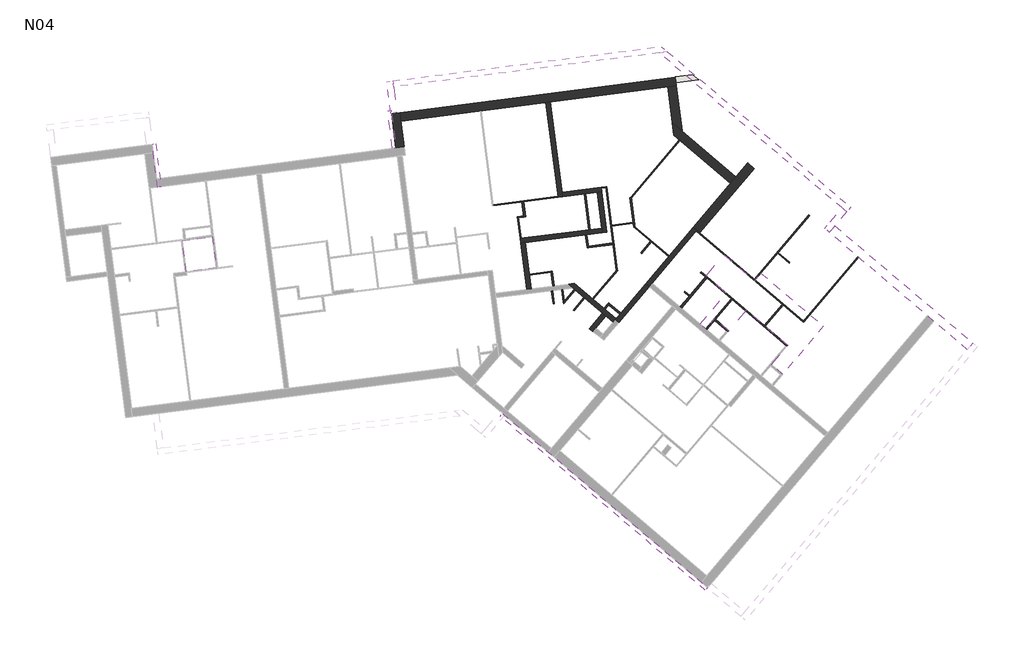
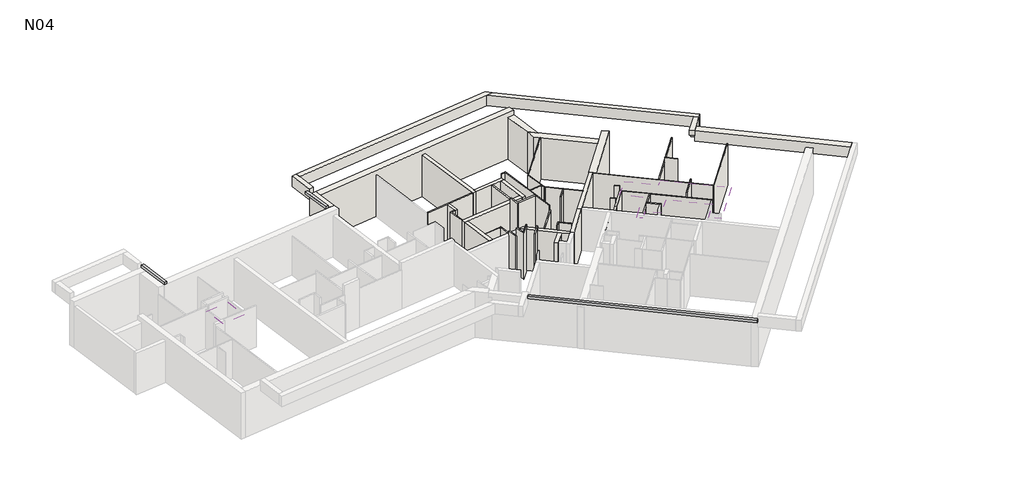
# One storey, part 3 of 3: 56 walls, 3 proxies, 2 coverings.
"""IFC4 building model written with IfcOpenShell, lengths in millimetres."""

from ifc_helpers import new_model, si_unit, frame, origin, place, context, project, spatial, polyline, outline, extrude, faceted_brep, element, save

model = new_model("IFC4")

# Units and contexts
model_context = context("Model", 3, world=origin())
ifc_project = project(units=[si_unit("LENGTHUNIT", "METRE", prefix="MILLI")], contexts=[model_context])

# Site, building, storey
site = spatial("IfcSite", under=ifc_project)
building = spatial("IfcBuilding", under=site)
storey = spatial("IfcBuildingStorey", under=building, Name="N04", Elevation=11380.0)

# Proxies
placement = place(None, origin())
element("IfcBuildingElementProxy", 1, Name="Wall Sweeps", at=placement, inside=storey, context=model_context, shape_type="Brep", body=[
    faceted_brep([(3471.6188833, 23711.7700815, 14140.0), (3471.6188833, 23711.7700815, 14292.4), (3320.4485677, 23692.4492205, 14292.4), (3320.4485677, 23692.4492205, 14140.0), (3263.7041068, 25338.5372577, 14140.0), (3243.8654827, 25336.0017117, 14140.0), (3112.5337911, 25319.2163968, 14140.0), (3112.5337911, 25319.2163968, 14292.4), (3243.8654827, 25336.0017117, 14292.4), (3263.7041068, 25338.5372577, 14292.4), (3278.9173831, 25219.5055131, 14140.0), (3278.9173831, 25219.5055131, 14292.4)], [[[0, 1, 2, 3]], [[4, 5, 6, 7, 8, 9]], [[3, 2, 7, 6]], [[1, 0, 10, 4, 9, 11]], [[2, 1, 11, 9, 8, 7]], [[0, 3, 6, 5, 4, 10]]]),
])
element("IfcBuildingElementProxy", 2, Name="Wall Sweeps", at=placement, inside=storey, context=model_context, shape_type="Brep", body=[
    faceted_brep([(16867.2686625, 4566.816918, 14292.4), (16867.2686625, 4566.816918, 14140.0), (16952.940746, 4667.7627158, 14140.0), (16965.8821484, 4683.0113258, 14140.0), (16965.8821484, 4683.0113258, 14292.4), (16952.940746, 4667.7627158, 14292.4), (7989.9035141, 12100.9826277, 14140.0), (7989.9035141, 12100.9826277, 14292.4), (8088.517, 12217.1770355, 14292.4), (8088.517, 12217.1770355, 14140.0)], [[[0, 1, 2, 3, 4, 5]], [[6, 7, 8, 9]], [[1, 0, 7, 6]], [[4, 3, 9, 8]], [[8, 7, 0, 5, 4]], [[6, 9, 3, 2, 1]]]),
])
element("IfcBuildingElementProxy", 3, Name="Wall Sweeps", at=placement, inside=storey, context=model_context, shape_type="SweptSolid", body=[
    extrude(outline(polyline([(-7079.2685073, 23875.4779617), (-6928.0981917, 23894.7988226), (-6691.0246355, 22039.8874692), (-6842.1949512, 22020.5666083), (-7079.2685073, 23875.4779617)])), frame((0.0, 0.0, 14140.0), z_axis=(0.0, 0.0, 1.0), x_axis=(1.0, 0.0, 0.0)), (0.0, 0.0, 1.0), 152.4),
])

# Coverings
element("IfcCovering", 4, at=placement, inside=storey, context=model_context, shape_type="SweptSolid", body=[
    extrude(outline(polyline([(17666.9102239, 14465.2920688), (18685.0113923, 13601.2358107), (16065.0817456, 10514.222194), (15046.9805772, 11378.2784521), (17666.9102239, 14465.2920688)])), frame((0.0, 0.0, 13580.0), z_axis=(0.0, 0.0, 1.0), x_axis=(1.0, 0.0, 0.0)), (0.0, 0.0, 1.0), 200.0),
    extrude(outline(polyline([(18993.1006941, 17969.6926612), (19268.7028854, 18294.4295176), (21978.1530635, 15994.9356592), (20214.2896022, 13916.6086607), (19718.7097797, 14337.2042363), (20430.4869089, 15175.8777833), (18637.3266223, 16697.7219924), (17883.707587, 15809.7469176), (17257.3977382, 16341.29227), (16878.6440681, 15895.0139746), (16642.290614, 16095.605711), (17774.6633192, 17429.8590813), (16893.7996405, 18177.4427182), (17670.2837814, 19092.3593149), (18993.1006941, 17969.6926612)])), frame((0.0, 0.0, 13580.0), z_axis=(0.0, 0.0, 1.0), x_axis=(1.0, 0.0, 0.0)), (0.0, 0.0, 1.0), 200.0),
])
element("IfcCovering", 5, at=placement, inside=storey, context=model_context, shape_type="SweptSolid", body=[
    extrude(outline(polyline([(-5598.5130803, 18363.3918839), (-5770.3389689, 19707.7923171), (-4470.909199, 19873.8705698), (-4299.0833104, 18529.4701366), (-5598.5130803, 18363.3918839)])), frame((0.0, 0.0, 13580.0), z_axis=(0.0, 0.0, 1.0), x_axis=(1.0, 0.0, 0.0)), (0.0, 0.0, 1.0), 200.0),
])

# Walls
element("IfcWall", 6, at=placement, inside=storey, context=model_context, shape_type="Brep", body=[
    faceted_brep([(3838.6334292, 23758.6776835, 11380.0), (3695.375077, 24879.5599452, 11380.0), (3648.467475, 25246.574491, 11380.0), (3648.467475, 25246.574491, 14150.0), (3695.375077, 24879.5599452, 14150.0), (3838.6334292, 23758.6776835, 14150.0), (3838.6334292, 23758.6776835, 13880.0), (3471.6188833, 23711.7700815, 11380.0), (3471.6188833, 23711.7700815, 14150.0), (3281.4529292, 25199.666889, 14150.0), (3281.4529292, 25199.666889, 11380.0), (3491.4575074, 23714.3056275, 14150.0)], [[[0, 1, 2, 3, 4, 5, 6]], [[7, 8, 9, 10]], [[2, 1, 0, 7, 10]], [[5, 4, 3, 9, 8, 11]], [[0, 6, 5, 11, 8, 7]], [[2, 10, 9, 3]]]),
])
element("IfcWall", 7, at=placement, inside=storey, context=model_context, shape_type="Brep", body=[
    faceted_brep([(3695.375077, 24879.5599452, 11380.0), (7117.5377344, 25316.9416397, 11380.0), (7167.1342946, 25323.2805048, 11380.0), (9964.3802928, 25680.7924986, 11380.0), (10162.7665338, 25706.1479591, 11380.0), (15240.5329162, 26355.1299881, 11380.0), (15607.547462, 26402.0375901, 11380.0), (15607.547462, 26402.0375901, 13820.0), (15607.547462, 26402.0375901, 14150.0), (3695.375077, 24879.5599452, 14150.0), (15560.63986, 26769.0521359, 11380.0), (15193.6253141, 26722.1445339, 11380.0), (3648.467475, 25246.574491, 11380.0), (3648.467475, 25246.574491, 14150.0), (15560.63986, 26769.0521359, 14150.0)], [[[0, 1, 2, 3, 4, 5, 6, 7, 8, 9]], [[10, 11, 12, 13, 14]], [[6, 5, 4, 3, 2, 1, 0, 12, 11, 10]], [[9, 8, 14, 13]], [[8, 7, 6, 10, 14]], [[0, 9, 13, 12]]]),
])
element("IfcWall", 8, at=placement, inside=storey, context=model_context, shape_type="Brep", body=[
    faceted_brep([(15507.785135, 24264.0946865, 11380.0), (17949.4956511, 22191.8298493, 11380.0), (17949.4956511, 22191.8298493, 13880.0), (15507.785135, 24264.0946865, 13880.0), (18188.9115946, 22473.9291333, 11380.0), (15856.6075253, 24453.3413857, 11380.0), (15438.2145545, 24808.4289507, 11380.0), (15438.2145545, 24808.4289507, 13820.0), (15438.2145545, 24808.4289507, 13880.0), (18188.9115946, 22473.9291333, 13880.0)], [[[0, 1, 2, 3]], [[4, 5, 6, 7, 8, 9]], [[1, 0, 6, 5, 4]], [[3, 2, 9, 8]], [[0, 3, 8, 7, 6]], [[2, 1, 4, 9]]]),
])
element("IfcWall", 9, at=placement, inside=storey, context=model_context, shape_type="Brep", body=[
    faceted_brep([(16617.9311411, 20051.0643367, 11380.0), (18972.0216642, 22824.8447353, 11380.0), (18972.0216642, 22824.8447353, 13880.0), (16617.9311411, 20051.0643367, 13880.0), (16335.8318571, 20290.4802801, 11380.0), (16335.8318571, 20290.4802801, 13880.0), (17949.4956511, 22191.8298493, 13880.0), (18188.9115946, 22473.9291333, 13880.0), (18689.9223802, 23064.2606788, 13880.0), (18689.9223802, 23064.2606788, 11380.0), (18188.9115946, 22473.9291333, 11380.0), (17949.4956511, 22191.8298493, 11380.0), (16503.5665665, 20148.1248543, 11380.0), (16351.080467, 20277.5388778, 11380.0), (16351.080467, 20277.5388778, 13880.0), (16503.5665665, 20148.1248543, 13880.0)], [[[0, 1, 2, 3]], [[4, 5, 6, 7, 8, 9, 10, 11]], [[1, 0, 12, 13, 4, 11, 10, 9]], [[3, 2, 8, 7, 6, 5, 14, 15]], [[0, 3, 15, 14, 5, 4, 13, 12]], [[1, 9, 8, 2]]]),
])
element("IfcWall", 10, at=placement, inside=storey, context=model_context, shape_type="Brep", body=[
    faceted_brep([(16351.080467, 20277.5388778, 11380.0), (14280.4560914, 17837.7612865, 11380.0), (14280.4560914, 17837.7612865, 13880.0), (16351.080467, 20277.5388778, 13880.0), (16503.5665665, 20148.1248543, 11380.0), (16503.5665665, 20148.1248543, 13880.0), (16471.2130606, 20110.0033294, 13880.0), (14562.3562143, 17860.8333624, 13880.0), (14432.9421908, 17708.347263, 13880.0), (14432.9421908, 17708.347263, 11380.0), (14562.3562143, 17860.8333624, 11380.0), (16471.2130606, 20110.0033294, 11380.0)], [[[0, 1, 2, 3]], [[4, 5, 6, 7, 8, 9, 10, 11]], [[1, 0, 4, 11, 10, 9]], [[3, 2, 8, 7, 6, 5]], [[0, 3, 5, 4]], [[2, 1, 9, 8]]]),
])
element("IfcWall", 11, at=placement, inside=storey, context=model_context, shape_type="Brep", body=[
    faceted_brep([(12182.6788322, 21787.8766603, 11380.0), (12379.5369845, 20247.618744, 11380.0), (12404.892445, 20049.232503, 11380.0), (12404.892445, 20049.232503, 13880.0), (12379.5369845, 20247.618744, 13880.0), (12182.6788322, 21787.8766603, 13880.0), (12381.0650732, 21813.2321209, 11380.0), (12381.0650732, 21813.2321209, 13880.0), (12603.278686, 20074.5879636, 13880.0), (12603.278686, 20074.5879636, 11380.0)], [[[0, 1, 2, 3, 4, 5]], [[6, 7, 8, 9]], [[2, 1, 0, 6, 9]], [[5, 4, 3, 8, 7]], [[3, 2, 9, 8]], [[0, 5, 7, 6]]]),
])
element("IfcWall", 12, at=placement, inside=storey, context=model_context, shape_type="Brep", body=[
    faceted_brep([(8868.6576991, 19597.2714187, 11380.0), (9067.0439401, 19622.6268793, 11380.0), (11673.0505062, 19955.6968359, 11380.0), (11742.4856906, 19964.5712471, 11380.0), (12404.892445, 20049.232503, 11380.0), (12404.892445, 20049.232503, 13880.0), (9067.0439401, 19622.6268793, 13880.0), (8868.6576991, 19597.2714187, 13880.0), (8843.3022386, 19795.6576597, 11380.0), (8843.3022386, 19795.6576597, 13880.0), (8892.8987988, 19801.9965248, 13880.0), (11814.1361976, 20175.3556815, 13880.0), (11883.571382, 20184.2300927, 13880.0), (12379.5369845, 20247.618744, 13880.0), (12379.5369845, 20247.618744, 11380.0), (11883.571382, 20184.2300927, 11380.0), (11814.1361976, 20175.3556815, 11380.0), (8892.8987988, 19801.9965248, 11380.0)], [[[0, 1, 2, 3, 4, 5, 6, 7]], [[8, 9, 10, 11, 12, 13, 14, 15, 16, 17]], [[4, 3, 2, 1, 0, 8, 17, 16, 15, 14]], [[7, 6, 5, 13, 12, 11, 10, 9]], [[5, 4, 14, 13]], [[0, 7, 9, 8]]]),
])
element("IfcWall", 13, at=placement, inside=storey, context=model_context, shape_type="SweptSolid", body=[
    extrude(outline(polyline([(9067.0439401, 19622.6268793), (9323.1340917, 17618.9258451), (9124.7478507, 17593.5703845), (8868.6576991, 19597.2714187), (9067.0439401, 19622.6268793)])), frame((0.0, 0.0, 11380.0), z_axis=(0.0, 0.0, 1.0), x_axis=(1.0, 0.0, 0.0)), (0.0, 0.0, 1.0), 2500.0),
])
element("IfcWall", 14, at=placement, inside=storey, context=model_context, shape_type="Brep", body=[
    faceted_brep([(10687.971253, 21596.8402312, 11380.0), (11617.2780454, 21715.6135977, 11380.0), (11686.7132297, 21724.4880089, 11380.0), (12182.6788322, 21787.8766603, 11380.0), (12381.0650732, 21813.2321209, 11380.0), (12381.0650732, 21813.2321209, 13880.0), (12182.6788322, 21787.8766603, 13880.0), (11686.7132297, 21724.4880089, 13880.0), (11617.2780454, 21715.6135977, 13880.0), (10687.971253, 21596.8402312, 13880.0), (10662.6157924, 21795.2264722, 11380.0), (10662.6157924, 21795.2264722, 13880.0), (12355.7096127, 22011.6183619, 13880.0), (12355.7096127, 22011.6183619, 11380.0)], [[[0, 1, 2, 3, 4, 5, 6, 7, 8, 9]], [[10, 11, 12, 13]], [[4, 3, 2, 1, 0, 10, 13]], [[9, 8, 7, 6, 5, 12, 11]], [[0, 9, 11, 10]], [[5, 4, 13, 12]]]),
])
element("IfcWall", 15, at=placement, inside=storey, context=model_context, shape_type="Brep", body=[
    faceted_brep([(10687.971253, 21596.8402312, 11380.0), (10162.7665338, 25706.1479591, 11380.0), (10162.7665338, 25706.1479591, 13880.0), (10687.971253, 21596.8402312, 13880.0), (10489.585012, 21571.4847707, 11380.0), (10489.585012, 21571.4847707, 13880.0), (10483.2461468, 21621.0813309, 13880.0), (9964.3802928, 25680.7924986, 13880.0), (9964.3802928, 25680.7924986, 11380.0), (10483.2461468, 21621.0813309, 11380.0)], [[[0, 1, 2, 3]], [[4, 5, 6, 7, 8, 9]], [[1, 0, 4, 9, 8]], [[3, 2, 7, 6, 5]], [[2, 1, 8, 7]], [[0, 3, 5, 4]]]),
])
element("IfcWall", 16, at=placement, inside=storey, context=model_context, shape_type="SweptSolid", body=[
    extrude(outline(polyline([(15438.2145545, 24808.4289507), (15240.5329162, 26355.1299881), (15607.547462, 26402.0375901), (15856.6075253, 24453.3413857), (15438.2145545, 24808.4289507)])), frame((0.0, 0.0, 11380.0), z_axis=(0.0, 0.0, 1.0), x_axis=(1.0, 0.0, 0.0)), (0.0, 0.0, 1.0), 2500.0),
])
element("IfcWall", 17, at=placement, inside=storey, context=model_context, shape_type="Brep", body=[
    faceted_brep([(3374.9902932, 26360.8950154, 13820.0), (14874.2580146, 27830.5999083, 13820.0), (15223.4785242, 27875.2332801, 13820.0), (15223.4785242, 27875.2332801, 14460.0), (14874.2580146, 27830.5999083, 14460.0), (3374.9902932, 26360.8950154, 14460.0), (3342.0281945, 26618.7971287, 13820.0), (3342.0281945, 26618.7971287, 14460.0), (14955.0563136, 28103.0415746, 14460.0), (14955.0563136, 28103.0415746, 13820.0)], [[[0, 1, 2, 3, 4, 5]], [[6, 7, 8, 9]], [[2, 1, 0, 6, 9]], [[5, 4, 3, 8, 7]], [[0, 5, 7, 6]], [[3, 2, 9, 8]]]),
])
element("IfcWall", 18, at=placement, inside=storey, context=model_context, shape_type="Brep", body=[
    faceted_brep([(3516.9808723, 25249.9320658, 13820.0), (3374.9902932, 26360.8950154, 13820.0), (3342.0281945, 26618.7971287, 13820.0), (3342.0281945, 26618.7971287, 14460.0), (3374.9902932, 26360.8950154, 14460.0), (3516.9808723, 25249.9320658, 14460.0), (3084.1260812, 26585.83503, 13820.0), (3259.078759, 25216.969967, 13820.0), (3259.078759, 25216.969967, 14140.0), (3243.8654827, 25336.0017117, 14140.0), (3243.8654827, 25336.0017117, 14292.4), (3259.078759, 25216.969967, 14292.4), (3259.078759, 25216.969967, 14460.0), (3084.1260812, 26585.83503, 14460.0), (3278.9173831, 25219.5055131, 14292.4), (3278.9173831, 25219.5055131, 14140.0), (3263.7041068, 25338.5372577, 14140.0), (3263.7041068, 25338.5372577, 14292.4)], [[[0, 1, 2, 3, 4, 5]], [[6, 7, 8, 9, 10, 11, 12, 13]], [[2, 1, 0, 7, 6]], [[5, 4, 3, 13, 12]], [[0, 5, 12, 11, 14, 15, 8, 7]], [[3, 2, 6, 13]], [[16, 17, 10, 9]], [[17, 16, 15, 14]], [[10, 17, 14, 11]], [[16, 9, 8, 15]]]),
])
element("IfcWall", 19, at=placement, inside=storey, context=model_context, shape_type="Brep", body=[
    faceted_brep([(14874.2580146, 27830.5999083, 13820.0), (22783.204645, 21118.3250939, 13820.0), (22989.0608793, 20943.6161622, 13820.0), (22989.0608793, 20943.6161622, 14460.0), (22783.204645, 21118.3250939, 14460.0), (14874.2580146, 27830.5999083, 14460.0), (15223.4785242, 27875.2332801, 13820.0), (15223.4785242, 27875.2332801, 14460.0), (23157.2991098, 21141.8480915, 14460.0), (23157.2991098, 21141.8480915, 13820.0)], [[[0, 1, 2, 3, 4, 5]], [[6, 7, 8, 9]], [[2, 1, 0, 6, 9]], [[5, 4, 3, 8, 7]], [[3, 2, 9, 8]], [[0, 5, 7, 6]]]),
])
element("IfcWall", 20, at=placement, inside=storey, context=model_context, shape_type="Brep", body=[
    faceted_brep([(16305.8852466, 26884.4635671, 11320.0), (15558.1043139, 26788.89076, 11320.0), (15558.1043139, 26788.89076, 11370.0), (15558.1043139, 26788.89076, 11522.4), (15558.1043139, 26788.89076, 11690.0), (16305.8852466, 26884.4635671, 11690.0), (15591.0664127, 26530.9886467, 11320.0), (16574.3074572, 26656.6552726, 11320.0), (16574.3074572, 26656.6552726, 11690.0), (15591.0664127, 26530.9886467, 11690.0)], [[[0, 1, 2, 3, 4, 5]], [[6, 7, 8, 9]], [[1, 0, 7, 6]], [[6, 9, 4, 3, 2, 1]], [[5, 4, 9, 8]], [[0, 5, 8, 7]]]),
])
element("IfcWall", 21, at=placement, inside=storey, context=model_context, shape_type="Brep", body=[
    faceted_brep([(22235.2241925, 20055.3846329, 13820.0), (26756.0530245, 16218.5847496, 13820.0), (28204.6709693, 14989.1515266, 13820.0), (28204.6709693, 14989.1515266, 14460.0), (26473.9537405, 16458.0006931, 14460.0), (22235.2241925, 20055.3846329, 14460.0), (22235.2241925, 20055.3846329, 14150.0), (22474.640136, 20337.4839169, 13820.0), (22474.640136, 20337.4839169, 14150.0), (22474.640136, 20337.4839169, 14460.0), (28444.0869127, 15271.2508106, 14460.0), (28444.0869127, 15271.2508106, 13820.0), (26995.4689679, 16500.6840336, 13820.0), (22244.9302443, 20066.8210904, 14460.0)], [[[0, 1, 2, 3, 4, 5, 6]], [[7, 8, 9, 10, 11, 12]], [[2, 1, 0, 7, 12, 11]], [[5, 4, 3, 10, 9, 13]], [[0, 6, 5, 13, 9, 8, 7]], [[3, 2, 11, 10]]]),
])
element("IfcWall", 22, at=placement, inside=storey, context=model_context, shape_type="Brep", body=[
    faceted_brep([(22783.204645, 21118.3250939, 13820.0), (22268.7839017, 20512.1928486, 13820.0), (22268.7839017, 20512.1928486, 14150.0), (22029.3679583, 20230.0935646, 14150.0), (22029.3679583, 20230.0935646, 14460.0), (22783.204645, 21118.3250939, 14460.0), (22989.0608793, 20943.6161622, 13820.0), (22989.0608793, 20943.6161622, 14460.0), (22474.640136, 20337.4839169, 14460.0), (22235.2241925, 20055.3846329, 14460.0), (22235.2241925, 20055.3846329, 14150.0), (22474.640136, 20337.4839169, 14150.0), (22474.640136, 20337.4839169, 13820.0)], [[[0, 1, 2, 3, 4, 5]], [[6, 7, 8, 9, 10, 11, 12]], [[1, 0, 6, 12]], [[5, 4, 9, 8, 7]], [[10, 3, 2, 11]], [[2, 1, 12, 11]], [[4, 3, 10, 9]], [[0, 5, 7, 6]]]),
])
element("IfcWall", 23, at=placement, inside=storey, context=model_context, shape_type="Brep", body=[
    faceted_brep([(12000.6753302, 15769.7097053, 11380.0), (12130.0893537, 15922.1958047, 11380.0), (12563.6263324, 16433.0242379, 11380.0), (12563.6263324, 16433.0242379, 13880.0), (12130.0893537, 15922.1958047, 13880.0), (12000.6753302, 15769.7097053, 13880.0), (11848.1892308, 15899.1237288, 11380.0), (11848.1892308, 15899.1237288, 13880.0), (12411.1402329, 16562.4382614, 13880.0), (12411.1402329, 16562.4382614, 11380.0)], [[[0, 1, 2, 3, 4, 5]], [[6, 7, 8, 9]], [[2, 1, 0, 6, 9]], [[5, 4, 3, 8, 7]], [[0, 5, 7, 6]], [[3, 2, 9, 8]]]),
])
element("IfcWall", 24, at=placement, inside=storey, context=model_context, shape_type="SweptSolid", body=[
    extrude(outline(polyline([(14432.9421908, 17708.347263), (13114.9097978, 16155.3345896), (12962.4236983, 16284.7486131), (14280.4560914, 17837.7612865), (14432.9421908, 17708.347263)])), frame((0.0, 0.0, 11380.0), z_axis=(0.0, 0.0, 1.0), x_axis=(1.0, 0.0, 0.0)), (0.0, 0.0, 1.0), 2500.0),
])
element("IfcWall", 25, at=placement, inside=storey, context=model_context, shape_type="Brep", body=[
    faceted_brep([(12998.0125548, 16326.6822904, 11380.0), (12527.7109629, 16725.8243858, 11380.0), (12474.340828, 16771.119294, 11380.0), (12016.8825297, 17159.3613645, 11380.0), (11978.7610048, 17191.7148703, 11380.0), (11193.6909618, 17857.9990323, 11380.0), (11193.6909618, 17857.9990323, 13880.0), (11978.7610048, 17191.7148703, 13880.0), (12016.8825297, 17159.3613645, 13880.0), (12998.0125548, 16326.6822904, 13880.0), (12868.5985313, 16174.196191, 11380.0), (12868.5985313, 16174.196191, 13880.0), (12563.6263324, 16433.0242379, 13880.0), (12411.1402329, 16562.4382614, 13880.0), (11131.5384241, 17648.4285197, 13880.0), (10925.0598005, 17823.6656693, 13880.0), (10925.0598005, 17823.6656693, 11380.0), (11131.5384241, 17648.4285197, 11380.0), (11191.2514373, 17597.7504492, 11380.0), (11229.3729621, 17565.3969433, 11380.0), (11610.5882108, 17241.8618846, 11380.0), (11648.7097356, 17209.5083788, 11380.0), (12411.1402329, 16562.4382614, 11380.0), (12563.6263324, 16433.0242379, 11380.0)], [[[0, 1, 2, 3, 4, 5, 6, 7, 8, 9]], [[10, 11, 12, 13, 14, 15, 16, 17, 18, 19, 20, 21, 22, 23]], [[5, 4, 3, 2, 1, 0, 10, 23, 22, 21, 20, 19, 18, 17, 16]], [[9, 8, 7, 6, 15, 14, 13, 12, 11]], [[0, 9, 11, 10]], [[6, 5, 16, 15]]]),
])
element("IfcWall", 26, ObjectType="CLO 10", at=placement, inside=storey, context=model_context, shape_type="SweptSolid", body=[
    extrude(outline(polyline([(16060.9092462, 17041.5209413), (15837.6699848, 16778.4823362), (15761.4269351, 16843.1893479), (15984.6661965, 17106.2279531), (16060.9092462, 17041.5209413)])), frame((0.0, 0.0, 11380.0), z_axis=(0.0, 0.0, 1.0), x_axis=(1.0, 0.0, 0.0)), (0.0, 0.0, 1.0), 2500.0),
])
element("IfcWall", 27, ObjectType="CLO 10", at=placement, inside=storey, context=model_context, shape_type="Brep", body=[
    faceted_brep([(16060.9092462, 17041.5209413, 11380.0), (16937.6891843, 18074.6141816, 11380.0), (16970.0426902, 18112.7357064, 11380.0), (16970.0426902, 18112.7357064, 13880.0), (16937.6891843, 18074.6141816, 13880.0), (16060.9092462, 17041.5209413, 13880.0), (15984.6661965, 17106.2279531, 11380.0), (15984.6661965, 17106.2279531, 13880.0), (16893.7996405, 18177.4427182, 13880.0), (16893.7996405, 18177.4427182, 11380.0), (16861.4461346, 18139.3211933, 11380.0), (16182.0225114, 17338.7691712, 11380.0), (16149.6690055, 17300.6476463, 11380.0)], [[[0, 1, 2, 3, 4, 5]], [[6, 7, 8, 9, 10, 11, 12]], [[2, 1, 0, 6, 12, 11, 10, 9]], [[5, 4, 3, 8, 7]], [[0, 5, 7, 6]], [[3, 2, 9, 8]]]),
])
element("IfcWall", 28, ObjectType="CLO 10", at=placement, inside=storey, context=model_context, shape_type="Brep", body=[
    faceted_brep([(8914.2655117, 21370.1454477, 11380.0), (8990.3318933, 20774.9867247, 11380.0), (8996.6707585, 20725.3901645, 11380.0), (8996.6707585, 20725.3901645, 13880.0), (8990.3318933, 20774.9867247, 13880.0), (8914.2655117, 21370.1454477, 13880.0), (9013.4586322, 21382.823178, 11380.0), (9013.4586322, 21382.823178, 13880.0), (9095.863879, 20738.0678947, 13880.0), (9095.863879, 20738.0678947, 11380.0)], [[[0, 1, 2, 3, 4, 5]], [[6, 7, 8, 9]], [[2, 1, 0, 6, 9]], [[5, 4, 3, 8, 7]], [[0, 5, 7, 6]], [[3, 2, 9, 8]]]),
])
element("IfcWall", 29, ObjectType="CLO 2", at=placement, inside=storey, context=model_context, shape_type="SweptSolid", body=[
    extrude(outline(polyline([(15578.6427768, 16735.9981567), (14569.2133936, 15546.6065809), (14553.9647837, 15559.5479833), (15563.3941668, 16748.9395591), (15578.6427768, 16735.9981567)])), frame((0.0, 0.0, 11380.0), z_axis=(0.0, 0.0, 1.0), x_axis=(1.0, 0.0, 0.0)), (0.0, 0.0, 1.0), 2500.0),
])
element("IfcWall", 30, ObjectType="CLO 5", at=placement, inside=storey, context=model_context, shape_type="SweptSolid", body=[
    extrude(outline(polyline([(10251.1469488, 17535.9069496), (10322.1422384, 16980.4254748), (10272.5456781, 16974.0866097), (10201.5503886, 17529.5680845), (10251.1469488, 17535.9069496)])), frame((0.0, 0.0, 11380.0), z_axis=(0.0, 0.0, 1.0), x_axis=(1.0, 0.0, 0.0)), (0.0, 0.0, 1.0), 2770.0),
])
element("IfcWall", 31, ObjectType="CLO 5", at=placement, inside=storey, context=model_context, shape_type="Brep", body=[
    faceted_brep([(11191.2514373, 17597.7504492, 11380.0), (10761.6055806, 17091.5068516, 11380.0), (10717.7962932, 17039.8871957, 11380.0), (10717.7962932, 17039.8871957, 14150.0), (10761.6055806, 17091.5068516, 14150.0), (11191.2514373, 17597.7504492, 14150.0), (11229.3729621, 17565.3969433, 11380.0), (11229.3729621, 17565.3969433, 14150.0), (10726.3796339, 16972.7294054, 14150.0), (10726.3796339, 16972.7294054, 11380.0)], [[[0, 1, 2, 3, 4, 5]], [[6, 7, 8, 9]], [[2, 1, 0, 6, 9]], [[5, 4, 3, 8, 7]], [[3, 2, 9, 8]], [[0, 5, 7, 6]]]),
])
element("IfcWall", 32, ObjectType="CLO 5", at=placement, inside=storey, context=model_context, shape_type="SweptSolid", body=[
    extrude(outline(polyline([(11142.841508, 16690.7247797), (11610.5882108, 17241.8618846), (11648.7097356, 17209.5083788), (11180.9630329, 16658.3712739), (11142.841508, 16690.7247797)])), frame((0.0, 0.0, 11380.0), z_axis=(0.0, 0.0, 1.0), x_axis=(1.0, 0.0, 0.0)), (0.0, 0.0, 1.0), 2770.0),
])
element("IfcWall", 33, ObjectType="CLO 5", at=placement, inside=storey, context=model_context, shape_type="Brep", body=[
    faceted_brep([(13822.3646096, 20238.26577, 11380.0), (13812.9631798, 20311.8244543, 11380.0), (13655.9306447, 21540.4787036, 11380.0), (13647.347304, 21607.6364939, 11380.0), (13647.347304, 21607.6364939, 13880.0), (13655.9306447, 21540.4787036, 13880.0), (13812.9631798, 20311.8244543, 13880.0), (13822.3646096, 20238.26577, 13880.0), (13765.8250189, 20286.2505761, 11380.0), (13765.8250189, 20286.2505761, 13880.0), (13745.5131684, 20445.1745944, 13880.0), (13739.1743033, 20494.7711547, 13880.0), (13603.5380166, 21556.0168381, 13880.0), (13603.5380166, 21556.0168381, 11380.0)], [[[0, 1, 2, 3, 4, 5, 6, 7]], [[8, 9, 10, 11, 12, 13]], [[3, 2, 1, 0, 8, 13]], [[7, 6, 5, 4, 12, 11, 10, 9]], [[4, 3, 13, 12]], [[0, 7, 9, 8]]]),
])
element("IfcWall", 34, ObjectType="CLO 5", at=placement, inside=storey, context=model_context, shape_type="Brep", body=[
    faceted_brep([(12016.8825297, 17159.3613645, 11380.0), (13069.3999687, 18399.5227826, 11380.0), (13069.3999687, 18399.5227826, 13880.0), (12016.8825297, 17159.3613645, 13880.0), (11978.7610048, 17191.7148703, 11380.0), (11978.7610048, 17191.7148703, 13880.0), (13060.816628, 18466.6805729, 13880.0), (13060.816628, 18466.6805729, 11380.0), (13017.0073405, 18415.060917, 11380.0)], [[[0, 1, 2, 3]], [[4, 5, 6, 7, 8]], [[1, 0, 4, 8, 7]], [[3, 2, 6, 5]], [[0, 3, 5, 4]], [[2, 1, 7, 6]]]),
])
element("IfcWall", 35, ObjectType="CLO 5", at=placement, inside=storey, context=model_context, shape_type="Brep", body=[
    faceted_brep([(7692.3390138, 21213.9727769, 11380.0), (8914.2655117, 21370.1454477, 11380.0), (9013.4586322, 21382.823178, 11380.0), (10489.585012, 21571.4847707, 11380.0), (10489.585012, 21571.4847707, 13880.0), (9013.4586322, 21382.823178, 13880.0), (8914.2655117, 21370.1454477, 13880.0), (7692.3390138, 21213.9727769, 13880.0), (7686.0001486, 21263.5693371, 11380.0), (7686.0001486, 21263.5693371, 13880.0), (10483.2461468, 21621.0813309, 13880.0), (10483.2461468, 21621.0813309, 11380.0)], [[[0, 1, 2, 3, 4, 5, 6, 7]], [[8, 9, 10, 11]], [[3, 2, 1, 0, 8, 11]], [[7, 6, 5, 4, 10, 9]], [[0, 7, 9, 8]], [[4, 3, 11, 10]]]),
])
element("IfcWall", 36, ObjectType="CLO 5", at=placement, inside=storey, context=model_context, shape_type="Brep", body=[
    faceted_brep([(8892.8987988, 19801.9965248, 11380.0), (8778.4458934, 20697.4991578, 11380.0), (8772.1070282, 20747.0957181, 11380.0), (8772.1070282, 20747.0957181, 13880.0), (8778.4458934, 20697.4991578, 13880.0), (8892.8987988, 19801.9965248, 13880.0), (8843.3022386, 19795.6576597, 11380.0), (8843.3022386, 19795.6576597, 13880.0), (8722.510468, 20740.756853, 13880.0), (8722.510468, 20740.756853, 11380.0)], [[[0, 1, 2, 3, 4, 5]], [[6, 7, 8, 9]], [[2, 1, 0, 6, 9]], [[5, 4, 3, 8, 7]], [[0, 5, 7, 6]], [[3, 2, 9, 8]]]),
])
element("IfcWall", 37, ObjectType="CLO 5", at=placement, inside=storey, context=model_context, shape_type="Brep", body=[
    faceted_brep([(23463.8018942, 19012.6982235, 11380.0), (21109.7113711, 16238.9178249, 11380.0), (21077.3578652, 16200.7963, 11380.0), (21077.3578652, 16200.7963, 13880.0), (21109.7113711, 16238.9178249, 13880.0), (23463.8018942, 19012.6982235, 13880.0), (23501.923419, 18980.3447177, 11380.0), (23501.923419, 18980.3447177, 13880.0), (21115.4793901, 16168.4427941, 13880.0), (21115.4793901, 16168.4427941, 11380.0)], [[[0, 1, 2, 3, 4, 5]], [[6, 7, 8, 9]], [[2, 1, 0, 6, 9]], [[5, 4, 3, 8, 7]], [[3, 2, 9, 8]], [[0, 5, 7, 6]]]),
])
element("IfcWall", 38, ObjectType="CLO 5", at=placement, inside=storey, context=model_context, shape_type="Brep", body=[
    faceted_brep([(19027.2115125, 18006.3227657, 11380.0), (19997.8166886, 19149.9685116, 11380.0), (20030.1701944, 19188.0900365, 11380.0), (21381.3020356, 20780.1031644, 11380.0), (21381.3020356, 20780.1031644, 13880.0), (19027.2115125, 18006.3227657, 13880.0), (18989.0899876, 18038.6762716, 11380.0), (18989.0899876, 18038.6762716, 13880.0), (21343.1805107, 20812.4566703, 13880.0), (21343.1805107, 20812.4566703, 11380.0)], [[[0, 1, 2, 3, 4, 5]], [[6, 7, 8, 9]], [[3, 2, 1, 0, 6, 9]], [[4, 3, 9, 8]], [[5, 4, 8, 7]], [[0, 5, 7, 6]]]),
])
element("IfcWall", 39, ObjectType="CLO 5", at=placement, inside=storey, context=model_context, shape_type="Brep", body=[
    faceted_brep([(21109.7113711, 16238.9178249, 11380.0), (19027.2115125, 18006.3227657, 11380.0), (18989.0899876, 18038.6762716, 11380.0), (16617.9311411, 20051.0643367, 11380.0), (16503.5665665, 20148.1248543, 11380.0), (16503.5665665, 20148.1248543, 13880.0), (16617.9311411, 20051.0643367, 13880.0), (18989.0899876, 18038.6762716, 13880.0), (19027.2115125, 18006.3227657, 13880.0), (21109.7113711, 16238.9178249, 13880.0), (16471.2130606, 20110.0033294, 11380.0), (20199.4981923, 16945.8304554, 11380.0), (20237.6197172, 16913.4769495, 11380.0), (21077.3578652, 16200.7963, 11380.0), (21077.3578652, 16200.7963, 13880.0), (16471.2130606, 20110.0033294, 13880.0)], [[[0, 1, 2, 3, 4, 5, 6, 7, 8, 9]], [[10, 11, 12, 13, 14, 15]], [[4, 3, 2, 1, 0, 13, 12, 11, 10]], [[9, 8, 7, 6, 5, 15, 14]], [[0, 9, 14, 13]], [[5, 4, 10, 15]]]),
])
element("IfcWall", 40, ObjectType="CLO 5", at=placement, inside=storey, context=model_context, shape_type="Brep", body=[
    faceted_brep([(16937.6891843, 18074.6141816, 11380.0), (17978.6632677, 17191.1458199, 11380.0), (18032.0334025, 17145.8509117, 11380.0), (20360.0118781, 15170.1097643, 11380.0), (20398.133403, 15137.7562585, 11380.0), (20398.133403, 15137.7562585, 13880.0), (20360.0118781, 15170.1097643, 13880.0), (18032.0334025, 17145.8509117, 13880.0), (17978.6632677, 17191.1458199, 13880.0), (16937.6891843, 18074.6141816, 13880.0), (16970.0426902, 18112.7357064, 11380.0), (16970.0426902, 18112.7357064, 13880.0), (20430.4869089, 15175.8777833, 13880.0), (20430.4869089, 15175.8777833, 11380.0)], [[[0, 1, 2, 3, 4, 5, 6, 7, 8, 9]], [[10, 11, 12, 13]], [[4, 3, 2, 1, 0, 10, 13]], [[9, 8, 7, 6, 5, 12, 11]], [[0, 9, 11, 10]], [[5, 4, 13, 12]]]),
])
element("IfcWall", 41, ObjectType="CLO 5", at=placement, inside=storey, context=model_context, shape_type="SweptSolid", body=[
    extrude(outline(polyline([(19423.0140514, 16030.9138587), (20199.4981923, 16945.8304554), (20237.6197172, 16913.4769495), (19461.1355763, 15998.5603528), (19423.0140514, 16030.9138587)])), frame((0.0, 0.0, 11380.0), z_axis=(0.0, 0.0, 1.0), x_axis=(1.0, 0.0, 0.0)), (0.0, 0.0, 1.0), 2770.0),
])
element("IfcWall", 42, ObjectType="CLO 5", at=placement, inside=storey, context=model_context, shape_type="SweptSolid", body=[
    extrude(outline(polyline([(13647.347304, 21607.6364939), (15736.8651347, 24069.6758865), (15774.9866596, 24037.3223807), (13655.9306447, 21540.4787036), (13647.347304, 21607.6364939)])), frame((0.0, 0.0, 11380.0), z_axis=(0.0, 0.0, 1.0), x_axis=(1.0, 0.0, 0.0)), (0.0, 0.0, 1.0), 2500.0),
])
element("IfcWall", 43, ObjectType="CLO 5", at=placement, inside=storey, context=model_context, shape_type="Brep", body=[
    faceted_brep([(10183.8875266, 18377.6721345, 11380.0), (10190.2263918, 18328.0755742, 11380.0), (10265.4687365, 17739.3642827, 11380.0), (10265.4687365, 17739.3642827, 13880.0), (10190.2263918, 18328.0755742, 13880.0), (10183.8875266, 18377.6721345, 13880.0), (10233.4840869, 18384.0109996, 11380.0), (10233.4840869, 18384.0109996, 13880.0), (10315.0652967, 17745.7031479, 13880.0), (10315.0652967, 17745.7031479, 11380.0)], [[[0, 1, 2, 3, 4, 5]], [[6, 7, 8, 9]], [[2, 1, 0, 6, 9]], [[3, 2, 9, 8]], [[5, 4, 3, 8, 7]], [[0, 5, 7, 6]]]),
])
element("IfcWall", 44, ObjectType="CLO 5", at=placement, inside=storey, context=model_context, shape_type="SweptSolid", body=[
    extrude(outline(polyline([(9241.5528819, 18257.2336968), (10183.8875266, 18377.6721345), (10190.2263918, 18328.0755742), (9247.891747, 18207.6371366), (9241.5528819, 18257.2336968)])), frame((0.0, 0.0, 11380.0), z_axis=(0.0, 0.0, 1.0), x_axis=(1.0, 0.0, 0.0)), (0.0, 0.0, 1.0), 2500.0),
])
element("IfcWall", 45, ObjectType="CLO 5", at=placement, inside=storey, context=model_context, shape_type="SweptSolid", body=[
    extrude(outline(polyline([(12816.6782826, 20376.8682631), (13739.1743033, 20494.7711547), (13745.5131684, 20445.1745944), (12823.0171477, 20327.2717029), (12816.6782826, 20376.8682631)])), frame((0.0, 0.0, 11380.0), z_axis=(0.0, 0.0, 1.0), x_axis=(1.0, 0.0, 0.0)), (0.0, 0.0, 1.0), 2500.0),
])
element("IfcWall", 46, ObjectType="CLO 5", at=placement, inside=storey, context=model_context, shape_type="Brep", body=[
    faceted_brep([(14107.195985, 19143.9943912, 11380.0), (14527.7915613, 19639.5742144, 11380.0), (14527.7915613, 19639.5742144, 13880.0), (14107.195985, 19143.9943912, 13880.0), (14069.0744601, 19176.3478971, 11380.0), (14069.0744601, 19176.3478971, 13880.0), (14489.6700364, 19671.9277203, 13880.0), (14489.6700364, 19671.9277203, 13480.0), (14489.6700364, 19671.9277203, 11380.0)], [[[0, 1, 2, 3]], [[4, 5, 6, 7, 8]], [[1, 0, 4, 8]], [[3, 2, 6, 5]], [[0, 3, 5, 4]], [[2, 1, 8, 7, 6]]]),
])
element("IfcWall", 47, ObjectType="CLO 5", at=placement, inside=storey, context=model_context, shape_type="Brep", body=[
    faceted_brep([(15305.2860786, 19045.2991032, 11380.0), (13812.9631798, 20311.8244543, 11380.0), (13812.9631798, 20311.8244543, 13880.0), (15305.2860786, 19045.2991032, 13880.0), (15272.9325727, 19007.1775783, 11380.0), (15272.9325727, 19007.1775783, 13880.0), (14527.7915613, 19639.5742144, 13880.0), (14489.6700364, 19671.9277203, 13880.0), (13822.3646096, 20238.26577, 13880.0), (13822.3646096, 20238.26577, 13480.0), (13822.3646096, 20238.26577, 11380.0), (14489.6700364, 19671.9277203, 11380.0), (14527.7915613, 19639.5742144, 11380.0)], [[[0, 1, 2, 3]], [[4, 5, 6, 7, 8, 9, 10, 11, 12]], [[1, 0, 4, 12, 11, 10]], [[3, 2, 8, 7, 6, 5]], [[0, 3, 5, 4]], [[2, 1, 10, 9, 8]]]),
])
element("IfcWall", 48, ObjectType="CLO 5", at=placement, inside=storey, context=model_context, shape_type="SweptSolid", body=[
    extrude(outline(polyline([(8996.6707585, 20725.3901645), (8778.4458934, 20697.4991578), (8772.1070282, 20747.0957181), (8990.3318933, 20774.9867247), (8996.6707585, 20725.3901645)])), frame((0.0, 0.0, 11380.0), z_axis=(0.0, 0.0, 1.0), x_axis=(1.0, 0.0, 0.0)), (0.0, 0.0, 1.0), 2500.0),
])
element("IfcWall", 49, ObjectType="CLO 5", at=placement, inside=storey, context=model_context, shape_type="SweptSolid", body=[
    extrude(outline(polyline([(10697.5159911, 17592.9567358), (10761.6055806, 17091.5068516), (10717.7962932, 17039.8871957), (10647.9194308, 17586.6178707), (10697.5159911, 17592.9567358)])), frame((0.0, 0.0, 11380.0), z_axis=(0.0, 0.0, 1.0), x_axis=(1.0, 0.0, 0.0)), (0.0, 0.0, 1.0), 2770.0),
])
element("IfcWall", 50, ObjectType="CLO 5", at=placement, inside=storey, context=model_context, shape_type="Brep", body=[
    faceted_brep([(12554.0958537, 22036.9738224, 11380.0), (12560.4347188, 21987.3772622, 11380.0), (12865.0535784, 19603.9778216, 11380.0), (12873.9279896, 19534.5426373, 11380.0), (13017.0073405, 18415.060917, 11380.0), (13017.0073405, 18415.060917, 14150.0), (12873.9279896, 19534.5426373, 14150.0), (12865.0535784, 19603.9778216, 14150.0), (12560.4347188, 21987.3772622, 14150.0), (12554.0958537, 22036.9738224, 14150.0), (12603.6924139, 22043.3126876, 11380.0), (12603.6924139, 22043.3126876, 14150.0), (13060.816628, 18466.6805729, 14150.0), (13060.816628, 18466.6805729, 13880.0), (13060.816628, 18466.6805729, 11380.0)], [[[0, 1, 2, 3, 4, 5, 6, 7, 8, 9]], [[10, 11, 12, 13, 14]], [[4, 3, 2, 1, 0, 10, 14]], [[9, 8, 7, 6, 5, 12, 11]], [[5, 4, 14, 13, 12]], [[0, 9, 11, 10]]]),
])
element("IfcWall", 51, ObjectType="CLO 5", at=placement, inside=storey, context=model_context, shape_type="SweptSolid", body=[
    extrude(outline(polyline([(12560.4347188, 21987.3772622), (12362.0484778, 21962.0218016), (12355.7096127, 22011.6183619), (12554.0958537, 22036.9738224), (12560.4347188, 21987.3772622)])), frame((0.0, 0.0, 11380.0), z_axis=(0.0, 0.0, 1.0), x_axis=(1.0, 0.0, 0.0)), (0.0, 0.0, 1.0), 2770.0),
])
element("IfcWall", 52, ObjectType="CLO 5", at=placement, inside=storey, context=model_context, shape_type="SweptSolid", body=[
    extrude(outline(polyline([(20493.3965118, 18729.3729353), (19997.8166886, 19149.9685116), (20030.1701944, 19188.0900365), (20525.7500177, 18767.4944602), (20493.3965118, 18729.3729353)])), frame((0.0, 0.0, 11380.0), z_axis=(0.0, 0.0, 1.0), x_axis=(1.0, 0.0, 0.0)), (0.0, 0.0, 1.0), 2770.0),
])
element("IfcWall", 53, ObjectType="CLO 5", at=placement, inside=storey, context=model_context, shape_type="SweptSolid", body=[
    extrude(outline(polyline([(15974.1114371, 17515.2220331), (16182.0225114, 17338.7691712), (16149.6690055, 17300.6476463), (15941.7579312, 17477.1005082), (15974.1114371, 17515.2220331)])), frame((0.0, 0.0, 11380.0), z_axis=(0.0, 0.0, 1.0), x_axis=(1.0, 0.0, 0.0)), (0.0, 0.0, 1.0), 2770.0),
])
element("IfcWall", 54, ObjectType="CLO 5", at=placement, inside=storey, context=model_context, shape_type="Brep", body=[
    faceted_brep([(16893.7996405, 18177.4427182, 11380.0), (16685.8885662, 18353.8955801, 11380.0), (16685.8885662, 18353.8955801, 14150.0), (16893.7996405, 18177.4427182, 14150.0), (16893.7996405, 18177.4427182, 13880.0), (16861.4461346, 18139.3211933, 11380.0), (16861.4461346, 18139.3211933, 14150.0), (16653.5350603, 18315.7740552, 14150.0), (16653.5350603, 18315.7740552, 11380.0)], [[[0, 1, 2, 3, 4]], [[5, 6, 7, 8]], [[1, 0, 5, 8]], [[2, 1, 8, 7]], [[3, 2, 7, 6]], [[0, 4, 3, 6, 5]]]),
])
element("IfcWall", 55, ObjectType="CLO 7", at=placement, inside=storey, context=model_context, shape_type="Brep", body=[
    faceted_brep([(16932.0142029, 15849.7190663, 11380.0), (17265.4729648, 16242.627227, 11380.0), (17310.767873, 16295.9973618, 11380.0), (18032.0334025, 17145.8509117, 11380.0), (18032.0334025, 17145.8509117, 13880.0), (16932.0142029, 15849.7190663, 13880.0), (16878.6440681, 15895.0139746, 11380.0), (16878.6440681, 15895.0139746, 13880.0), (17978.6632677, 17191.1458199, 13880.0), (17978.6632677, 17191.1458199, 11380.0)], [[[0, 1, 2, 3, 4, 5]], [[6, 7, 8, 9]], [[3, 2, 1, 0, 6, 9]], [[5, 4, 8, 7]], [[0, 5, 7, 6]], [[4, 3, 9, 8]]]),
])
element("IfcWall", 56, ObjectType="CLO 7", at=placement, inside=storey, context=model_context, shape_type="SweptSolid", body=[
    extrude(outline(polyline([(11814.1361976, 20175.3556815), (11617.2780454, 21715.6135977), (11686.7132297, 21724.4880089), (11883.571382, 20184.2300927), (11814.1361976, 20175.3556815)])), frame((0.0, 0.0, 11380.0), z_axis=(0.0, 0.0, 1.0), x_axis=(1.0, 0.0, 0.0)), (0.0, 0.0, 1.0), 2500.0),
])
element("IfcWall", 57, ObjectType="CLO 7", at=placement, inside=storey, context=model_context, shape_type="Brep", body=[
    faceted_brep([(12527.7109629, 16725.8243858, 11380.0), (12689.4784922, 16916.4320101, 11380.0), (12734.7734004, 16969.8021449, 11380.0), (12734.7734004, 16969.8021449, 14150.0), (12689.4784922, 16916.4320101, 14150.0), (12527.7109629, 16725.8243858, 14150.0), (12474.340828, 16771.119294, 11380.0), (12474.340828, 16771.119294, 14150.0), (12681.4032656, 17015.0970532, 14150.0), (12681.4032656, 17015.0970532, 11380.0)], [[[0, 1, 2, 3, 4, 5]], [[6, 7, 8, 9]], [[2, 1, 0, 6, 9]], [[5, 4, 3, 8, 7]], [[0, 5, 7, 6]], [[3, 2, 9, 8]]]),
])
element("IfcWall", 58, ObjectType="CLO 7", at=placement, inside=storey, context=model_context, shape_type="Brep", body=[
    faceted_brep([(17265.4729648, 16242.627227, 11380.0), (17785.0425439, 15801.671691, 11380.0), (17838.4126788, 15756.3767828, 11380.0), (17838.4126788, 15756.3767828, 14150.0), (17785.0425439, 15801.671691, 14150.0), (17265.4729648, 16242.627227, 14150.0), (17310.767873, 16295.9973618, 11380.0), (17310.767873, 16295.9973618, 14150.0), (17883.707587, 15809.7469176, 14150.0), (17883.707587, 15809.7469176, 11380.0)], [[[0, 1, 2, 3, 4, 5]], [[6, 7, 8, 9]], [[2, 1, 0, 6, 9]], [[5, 4, 3, 8, 7]], [[3, 2, 9, 8]], [[0, 5, 7, 6]]]),
])
element("IfcWall", 59, ObjectType="CLO 7", at=placement, inside=storey, context=model_context, shape_type="SweptSolid", body=[
    extrude(outline(polyline([(12734.7734004, 16969.8021449), (13205.0749923, 16570.6600495), (13159.7800841, 16517.2899147), (12689.4784922, 16916.4320101), (12734.7734004, 16969.8021449)])), frame((0.0, 0.0, 11380.0), z_axis=(0.0, 0.0, 1.0), x_axis=(1.0, 0.0, 0.0)), (0.0, 0.0, 1.0), 2770.0),
])
element("IfcWall", 60, ObjectType="CLO 7", at=placement, inside=storey, context=model_context, shape_type="Brep", body=[
    faceted_brep([(11673.0505062, 19955.6968359, 11380.0), (11745.3135688, 19390.296049, 11380.0), (11745.3135688, 19390.296049, 14150.0), (11673.0505062, 19955.6968359, 14150.0), (11742.4856906, 19964.5712471, 11380.0), (11742.4856906, 19964.5712471, 14150.0), (11805.874342, 19468.6056445, 14150.0), (11814.7487532, 19399.1704602, 14150.0), (11814.7487532, 19399.1704602, 11380.0), (11805.874342, 19468.6056445, 11380.0)], [[[0, 1, 2, 3]], [[4, 5, 6, 7, 8, 9]], [[1, 0, 4, 9, 8]], [[3, 2, 7, 6, 5]], [[2, 1, 8, 7]], [[0, 3, 5, 4]]]),
])
element("IfcWall", 61, ObjectType="CLO 7", at=placement, inside=storey, context=model_context, shape_type="SweptSolid", body=[
    extrude(outline(polyline([(12873.9279896, 19534.5426373), (11814.7487532, 19399.1704602), (11805.874342, 19468.6056445), (12865.0535784, 19603.9778216), (12873.9279896, 19534.5426373)])), frame((0.0, 0.0, 11380.0), z_axis=(0.0, 0.0, 1.0), x_axis=(1.0, 0.0, 0.0)), (0.0, 0.0, 1.0), 2770.0),
])

save(model, "model.ifc")
